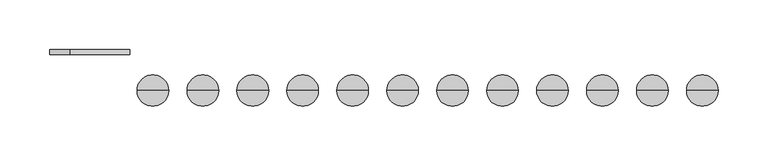
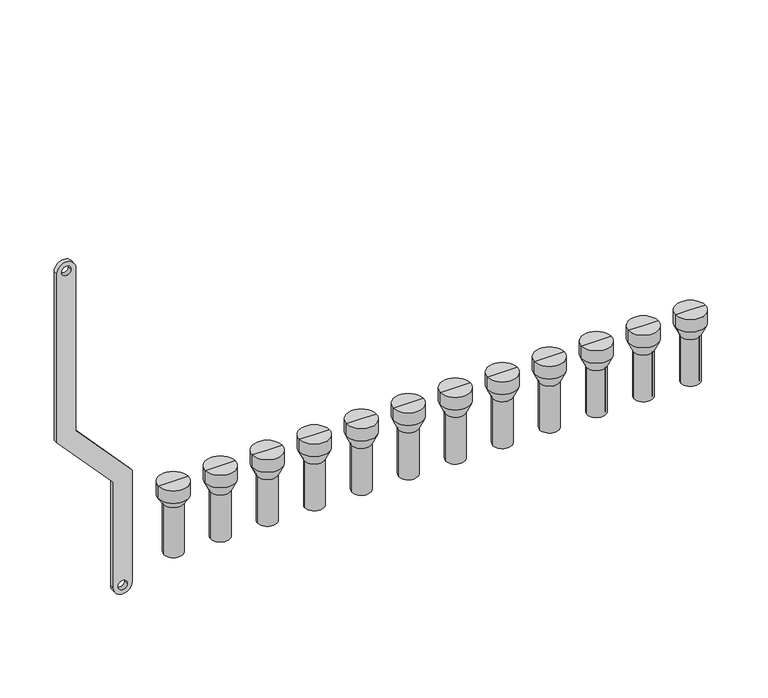
"""IFC4 building model written with IfcOpenShell, lengths in millimetres: proxy geometry."""

from ifc_helpers import new_model, si_unit, point, frame, frame_2d, origin, place, context, project, spatial, polyline, circle_curve, trimmed, segment, composite_curve, outline, extrude, source, transform, mapped, element, save
from ifc_brep_helpers import plane_surface, cylinder_surface, revolved_surface, advanced_brep


def mechanical_equipment_6957c9e1(model_context):
    return source(origin(), model_context, "Body", "SolidModel", [
        advanced_brep(
        [(651.0, -20.0, -240.0), (635.0, -20.0, -240.0), (635.0, -20.0, -187.5), (651.0, -20.0, -187.5), (653.0, -20.0, -240.0), (633.0, -20.0, -240.0), (653.0, -20.0, -187.5), (633.0, -20.0, -187.5), (658.791778, -20.0, -175.079492), (627.208222, -20.0, -175.079492), (658.791778, -20.0, -161.0287273), (627.208222, -20.0, -161.0287273), (643.0, -20.0, -161.0287273), (643.0, -20.0, -187.5)],
        [
            (0, 1, circle_curve(frame((643.0, -20.0, -240.0), z_axis=(0.0, 0.0, -1.0), x_axis=(-1.0, 0.0, 0.0)), 8.0)),
            (1, 2),
            (2, 3, circle_curve(frame((643.0, -20.0, -187.5), z_axis=(0.0, 0.0, 1.0), x_axis=(-1.0, 0.0, 0.0)), 8.0)),
            (3, 0),
            (1, 0, circle_curve(frame((643.0, -20.0, -240.0), z_axis=(0.0, 0.0, -1.0), x_axis=(-1.0, 0.0, 0.0)), 8.0)),
            (3, 2, circle_curve(frame((643.0, -20.0, -187.5), z_axis=(0.0, 0.0, 1.0), x_axis=(-1.0, 0.0, 0.0)), 8.0)),
            (4, 5, circle_curve(frame((643.0, -20.0, -240.0), z_axis=(0.0, 0.0, -1.0), x_axis=(-1.0, 0.0, 0.0)), 10.0)),
            (5, 1),
            (0, 4),
            (5, 4, circle_curve(frame((643.0, -20.0, -240.0), z_axis=(0.0, 0.0, -1.0), x_axis=(-1.0, 0.0, 0.0)), 10.0)),
            (6, 7, circle_curve(frame((643.0, -20.0, -187.5), z_axis=(0.0, 0.0, -1.0), x_axis=(-1.0, 0.0, 0.0)), 10.0)),
            (7, 5),
            (4, 6),
            (7, 6, circle_curve(frame((643.0, -20.0, -187.5), z_axis=(0.0, 0.0, -1.0), x_axis=(-1.0, 0.0, 0.0)), 10.0)),
            (8, 9, circle_curve(frame((643.0, -20.0, -175.079492), z_axis=(0.0, 0.0, -1.0), x_axis=(-1.0, 0.0, 0.0)), 15.791778)),
            (9, 7),
            (6, 8),
            (9, 8, circle_curve(frame((643.0, -20.0, -175.079492), z_axis=(0.0, 0.0, -1.0), x_axis=(-1.0, 0.0, 0.0)), 15.791778)),
            (10, 11, circle_curve(frame((643.0, -20.0, -161.0287273), z_axis=(0.0, 0.0, -1.0), x_axis=(-1.0, 0.0, 0.0)), 15.791778)),
            (11, 9),
            (8, 10),
            (11, 10, circle_curve(frame((643.0, -20.0, -161.0287273), z_axis=(0.0, 0.0, -1.0), x_axis=(-1.0, 0.0, 0.0)), 15.791778)),
            (12, 11),
            (10, 12),
            (2, 13),
            (13, 3),
        ],
        [
            revolved_surface(polyline([(635.0, -20.0, -187.5), (635.0, -20.0, -240.0)]), (643.0, -20.0, -200.0), (0.0, 0.0, 1.0)),
            plane_surface(frame((643.0, -20.0, -240.0), z_axis=(0.0, 0.0, -1.0), x_axis=(-1.0, 0.0, 0.0))),
            cylinder_surface(frame((643.0, -20.0, -200.0), z_axis=(0.0, 0.0, 1.0), x_axis=(-1.0, 0.0, 0.0)), 10.0),
            revolved_surface(polyline([(633.0, -20.0, -187.5), (627.208222, -20.0, -175.079492)]), (643.0, -20.0, -200.0), (0.0, 0.0, 1.0)),
            cylinder_surface(frame((643.0, -20.0, -200.0), z_axis=(0.0, 0.0, 1.0), x_axis=(-1.0, 0.0, 0.0)), 15.791778),
            plane_surface(frame((643.0, -20.0, -161.0287273), z_axis=(0.0, 0.0, 1.0), x_axis=(-1.0, 0.0, 0.0))),
            plane_surface(frame((643.0, -20.0, -187.5), z_axis=(0.0, 0.0, -1.0), x_axis=(-1.0, 0.0, 0.0))),
        ],
        [
            (0, [[1, 2, 3, 4]]),
            (0, [[5, -4, 6, -2]]),
            (1, [[7, 8, -1, 9]]),
            (1, [[10, -9, -5, -8]]),
            (2, [[11, 12, -7, 13]]),
            (2, [[14, -13, -10, -12]]),
            (3, [[15, 16, -11, 17]]),
            (3, [[18, -17, -14, -16]]),
            (4, [[19, 20, -15, 21]]),
            (4, [[22, -21, -18, -20]]),
            (5, [[23, -19, 24]]),
            (5, [[-24, -22, -23]]),
            (6, [[-3, 25, 26]]),
            (6, [[-6, -26, -25]]),
        ],
    ),
        advanced_brep(
        [(601.0, -20.0, -240.0), (585.0, -20.0, -240.0), (585.0, -20.0, -187.5), (601.0, -20.0, -187.5), (603.0, -20.0, -240.0), (583.0, -20.0, -240.0), (603.0, -20.0, -187.5), (583.0, -20.0, -187.5), (608.791778, -20.0, -175.079492), (577.208222, -20.0, -175.079492), (608.791778, -20.0, -161.0287273), (577.208222, -20.0, -161.0287273), (593.0, -20.0, -161.0287273), (593.0, -20.0, -187.5)],
        [
            (0, 1, circle_curve(frame((593.0, -20.0, -240.0), z_axis=(0.0, 0.0, -1.0), x_axis=(-1.0, 0.0, 0.0)), 8.0)),
            (1, 2),
            (2, 3, circle_curve(frame((593.0, -20.0, -187.5), z_axis=(0.0, 0.0, 1.0), x_axis=(-1.0, 0.0, 0.0)), 8.0)),
            (3, 0),
            (1, 0, circle_curve(frame((593.0, -20.0, -240.0), z_axis=(0.0, 0.0, -1.0), x_axis=(-1.0, 0.0, 0.0)), 8.0)),
            (3, 2, circle_curve(frame((593.0, -20.0, -187.5), z_axis=(0.0, 0.0, 1.0), x_axis=(-1.0, 0.0, 0.0)), 8.0)),
            (4, 5, circle_curve(frame((593.0, -20.0, -240.0), z_axis=(0.0, 0.0, -1.0), x_axis=(-1.0, 0.0, 0.0)), 10.0)),
            (5, 1),
            (0, 4),
            (5, 4, circle_curve(frame((593.0, -20.0, -240.0), z_axis=(0.0, 0.0, -1.0), x_axis=(-1.0, 0.0, 0.0)), 10.0)),
            (6, 7, circle_curve(frame((593.0, -20.0, -187.5), z_axis=(0.0, 0.0, -1.0), x_axis=(-1.0, 0.0, 0.0)), 10.0)),
            (7, 5),
            (4, 6),
            (7, 6, circle_curve(frame((593.0, -20.0, -187.5), z_axis=(0.0, 0.0, -1.0), x_axis=(-1.0, 0.0, 0.0)), 10.0)),
            (8, 9, circle_curve(frame((593.0, -20.0, -175.079492), z_axis=(0.0, 0.0, -1.0), x_axis=(-1.0, 0.0, 0.0)), 15.791778)),
            (9, 7),
            (6, 8),
            (9, 8, circle_curve(frame((593.0, -20.0, -175.079492), z_axis=(0.0, 0.0, -1.0), x_axis=(-1.0, 0.0, 0.0)), 15.791778)),
            (10, 11, circle_curve(frame((593.0, -20.0, -161.0287273), z_axis=(0.0, 0.0, -1.0), x_axis=(-1.0, 0.0, 0.0)), 15.791778)),
            (11, 9),
            (8, 10),
            (11, 10, circle_curve(frame((593.0, -20.0, -161.0287273), z_axis=(0.0, 0.0, -1.0), x_axis=(-1.0, 0.0, 0.0)), 15.791778)),
            (12, 11),
            (10, 12),
            (2, 13),
            (13, 3),
        ],
        [
            revolved_surface(polyline([(585.0, -20.0, -187.5), (585.0, -20.0, -240.0)]), (593.0, -20.0, -200.0), (0.0, 0.0, 1.0)),
            plane_surface(frame((593.0, -20.0, -240.0), z_axis=(0.0, 0.0, -1.0), x_axis=(-1.0, 0.0, 0.0))),
            cylinder_surface(frame((593.0, -20.0, -200.0), z_axis=(0.0, 0.0, 1.0), x_axis=(-1.0, 0.0, 0.0)), 10.0),
            revolved_surface(polyline([(583.0, -20.0, -187.5), (577.208222, -20.0, -175.079492)]), (593.0, -20.0, -200.0), (0.0, 0.0, 1.0)),
            cylinder_surface(frame((593.0, -20.0, -200.0), z_axis=(0.0, 0.0, 1.0), x_axis=(-1.0, 0.0, 0.0)), 15.791778),
            plane_surface(frame((593.0, -20.0, -161.0287273), z_axis=(0.0, 0.0, 1.0), x_axis=(-1.0, 0.0, 0.0))),
            plane_surface(frame((593.0, -20.0, -187.5), z_axis=(0.0, 0.0, -1.0), x_axis=(-1.0, 0.0, 0.0))),
        ],
        [
            (0, [[1, 2, 3, 4]]),
            (0, [[5, -4, 6, -2]]),
            (1, [[7, 8, -1, 9]]),
            (1, [[10, -9, -5, -8]]),
            (2, [[11, 12, -7, 13]]),
            (2, [[14, -13, -10, -12]]),
            (3, [[15, 16, -11, 17]]),
            (3, [[18, -17, -14, -16]]),
            (4, [[19, 20, -15, 21]]),
            (4, [[22, -21, -18, -20]]),
            (5, [[23, -19, 24]]),
            (5, [[-24, -22, -23]]),
            (6, [[-3, 25, 26]]),
            (6, [[-6, -26, -25]]),
        ],
    ),
        advanced_brep(
        [(551.0, -20.0, -240.0), (535.0, -20.0, -240.0), (535.0, -20.0, -187.5), (551.0, -20.0, -187.5), (553.0, -20.0, -240.0), (533.0, -20.0, -240.0), (553.0, -20.0, -187.5), (533.0, -20.0, -187.5), (558.791778, -20.0, -175.079492), (527.208222, -20.0, -175.079492), (558.791778, -20.0, -161.0287273), (527.208222, -20.0, -161.0287273), (543.0, -20.0, -161.0287273), (543.0, -20.0, -187.5)],
        [
            (0, 1, circle_curve(frame((543.0, -20.0, -240.0), z_axis=(0.0, 0.0, -1.0), x_axis=(-1.0, 0.0, 0.0)), 8.0)),
            (1, 2),
            (2, 3, circle_curve(frame((543.0, -20.0, -187.5), z_axis=(0.0, 0.0, 1.0), x_axis=(-1.0, 0.0, 0.0)), 8.0)),
            (3, 0),
            (1, 0, circle_curve(frame((543.0, -20.0, -240.0), z_axis=(0.0, 0.0, -1.0), x_axis=(-1.0, 0.0, 0.0)), 8.0)),
            (3, 2, circle_curve(frame((543.0, -20.0, -187.5), z_axis=(0.0, 0.0, 1.0), x_axis=(-1.0, 0.0, 0.0)), 8.0)),
            (4, 5, circle_curve(frame((543.0, -20.0, -240.0), z_axis=(0.0, 0.0, -1.0), x_axis=(-1.0, 0.0, 0.0)), 10.0)),
            (5, 1),
            (0, 4),
            (5, 4, circle_curve(frame((543.0, -20.0, -240.0), z_axis=(0.0, 0.0, -1.0), x_axis=(-1.0, 0.0, 0.0)), 10.0)),
            (6, 7, circle_curve(frame((543.0, -20.0, -187.5), z_axis=(0.0, 0.0, -1.0), x_axis=(-1.0, 0.0, 0.0)), 10.0)),
            (7, 5),
            (4, 6),
            (7, 6, circle_curve(frame((543.0, -20.0, -187.5), z_axis=(0.0, 0.0, -1.0), x_axis=(-1.0, 0.0, 0.0)), 10.0)),
            (8, 9, circle_curve(frame((543.0, -20.0, -175.079492), z_axis=(0.0, 0.0, -1.0), x_axis=(-1.0, 0.0, 0.0)), 15.791778)),
            (9, 7),
            (6, 8),
            (9, 8, circle_curve(frame((543.0, -20.0, -175.079492), z_axis=(0.0, 0.0, -1.0), x_axis=(-1.0, 0.0, 0.0)), 15.791778)),
            (10, 11, circle_curve(frame((543.0, -20.0, -161.0287273), z_axis=(0.0, 0.0, -1.0), x_axis=(-1.0, 0.0, 0.0)), 15.791778)),
            (11, 9),
            (8, 10),
            (11, 10, circle_curve(frame((543.0, -20.0, -161.0287273), z_axis=(0.0, 0.0, -1.0), x_axis=(-1.0, 0.0, 0.0)), 15.791778)),
            (12, 11),
            (10, 12),
            (2, 13),
            (13, 3),
        ],
        [
            revolved_surface(polyline([(535.0, -20.0, -187.5), (535.0, -20.0, -240.0)]), (543.0, -20.0, -200.0), (0.0, 0.0, 1.0)),
            plane_surface(frame((543.0, -20.0, -240.0), z_axis=(0.0, 0.0, -1.0), x_axis=(-1.0, 0.0, 0.0))),
            cylinder_surface(frame((543.0, -20.0, -200.0), z_axis=(0.0, 0.0, 1.0), x_axis=(-1.0, 0.0, 0.0)), 10.0),
            revolved_surface(polyline([(533.0, -20.0, -187.5), (527.208222, -20.0, -175.079492)]), (543.0, -20.0, -200.0), (0.0, 0.0, 1.0)),
            cylinder_surface(frame((543.0, -20.0, -200.0), z_axis=(0.0, 0.0, 1.0), x_axis=(-1.0, 0.0, 0.0)), 15.791778),
            plane_surface(frame((543.0, -20.0, -161.0287273), z_axis=(0.0, 0.0, 1.0), x_axis=(-1.0, 0.0, 0.0))),
            plane_surface(frame((543.0, -20.0, -187.5), z_axis=(0.0, 0.0, -1.0), x_axis=(-1.0, 0.0, 0.0))),
        ],
        [
            (0, [[1, 2, 3, 4]]),
            (0, [[5, -4, 6, -2]]),
            (1, [[7, 8, -1, 9]]),
            (1, [[10, -9, -5, -8]]),
            (2, [[11, 12, -7, 13]]),
            (2, [[14, -13, -10, -12]]),
            (3, [[15, 16, -11, 17]]),
            (3, [[18, -17, -14, -16]]),
            (4, [[19, 20, -15, 21]]),
            (4, [[22, -21, -18, -20]]),
            (5, [[23, -19, 24]]),
            (5, [[-24, -22, -23]]),
            (6, [[-3, 25, 26]]),
            (6, [[-6, -26, -25]]),
        ],
    ),
        advanced_brep(
        [(501.0, -20.0, -240.0), (485.0, -20.0, -240.0), (485.0, -20.0, -187.5), (501.0, -20.0, -187.5), (503.0, -20.0, -240.0), (483.0, -20.0, -240.0), (503.0, -20.0, -187.5), (483.0, -20.0, -187.5), (508.791778, -20.0, -175.079492), (477.208222, -20.0, -175.079492), (508.791778, -20.0, -161.0287273), (477.208222, -20.0, -161.0287273), (493.0, -20.0, -161.0287273), (493.0, -20.0, -187.5)],
        [
            (0, 1, circle_curve(frame((493.0, -20.0, -240.0), z_axis=(0.0, 0.0, -1.0), x_axis=(-1.0, 0.0, 0.0)), 8.0)),
            (1, 2),
            (2, 3, circle_curve(frame((493.0, -20.0, -187.5), z_axis=(0.0, 0.0, 1.0), x_axis=(-1.0, 0.0, 0.0)), 8.0)),
            (3, 0),
            (1, 0, circle_curve(frame((493.0, -20.0, -240.0), z_axis=(0.0, 0.0, -1.0), x_axis=(-1.0, 0.0, 0.0)), 8.0)),
            (3, 2, circle_curve(frame((493.0, -20.0, -187.5), z_axis=(0.0, 0.0, 1.0), x_axis=(-1.0, 0.0, 0.0)), 8.0)),
            (4, 5, circle_curve(frame((493.0, -20.0, -240.0), z_axis=(0.0, 0.0, -1.0), x_axis=(-1.0, 0.0, 0.0)), 10.0)),
            (5, 1),
            (0, 4),
            (5, 4, circle_curve(frame((493.0, -20.0, -240.0), z_axis=(0.0, 0.0, -1.0), x_axis=(-1.0, 0.0, 0.0)), 10.0)),
            (6, 7, circle_curve(frame((493.0, -20.0, -187.5), z_axis=(0.0, 0.0, -1.0), x_axis=(-1.0, 0.0, 0.0)), 10.0)),
            (7, 5),
            (4, 6),
            (7, 6, circle_curve(frame((493.0, -20.0, -187.5), z_axis=(0.0, 0.0, -1.0), x_axis=(-1.0, 0.0, 0.0)), 10.0)),
            (8, 9, circle_curve(frame((493.0, -20.0, -175.079492), z_axis=(0.0, 0.0, -1.0), x_axis=(-1.0, 0.0, 0.0)), 15.791778)),
            (9, 7),
            (6, 8),
            (9, 8, circle_curve(frame((493.0, -20.0, -175.079492), z_axis=(0.0, 0.0, -1.0), x_axis=(-1.0, 0.0, 0.0)), 15.791778)),
            (10, 11, circle_curve(frame((493.0, -20.0, -161.0287273), z_axis=(0.0, 0.0, -1.0), x_axis=(-1.0, 0.0, 0.0)), 15.791778)),
            (11, 9),
            (8, 10),
            (11, 10, circle_curve(frame((493.0, -20.0, -161.0287273), z_axis=(0.0, 0.0, -1.0), x_axis=(-1.0, 0.0, 0.0)), 15.791778)),
            (12, 11),
            (10, 12),
            (2, 13),
            (13, 3),
        ],
        [
            revolved_surface(polyline([(485.0, -20.0, -187.5), (485.0, -20.0, -240.0)]), (493.0, -20.0, -200.0), (0.0, 0.0, 1.0)),
            plane_surface(frame((493.0, -20.0, -240.0), z_axis=(0.0, 0.0, -1.0), x_axis=(-1.0, 0.0, 0.0))),
            cylinder_surface(frame((493.0, -20.0, -200.0), z_axis=(0.0, 0.0, 1.0), x_axis=(-1.0, 0.0, 0.0)), 10.0),
            revolved_surface(polyline([(483.0, -20.0, -187.5), (477.208222, -20.0, -175.079492)]), (493.0, -20.0, -200.0), (0.0, 0.0, 1.0)),
            cylinder_surface(frame((493.0, -20.0, -200.0), z_axis=(0.0, 0.0, 1.0), x_axis=(-1.0, 0.0, 0.0)), 15.791778),
            plane_surface(frame((493.0, -20.0, -161.0287273), z_axis=(0.0, 0.0, 1.0), x_axis=(-1.0, 0.0, 0.0))),
            plane_surface(frame((493.0, -20.0, -187.5), z_axis=(0.0, 0.0, -1.0), x_axis=(-1.0, 0.0, 0.0))),
        ],
        [
            (0, [[1, 2, 3, 4]]),
            (0, [[5, -4, 6, -2]]),
            (1, [[7, 8, -1, 9]]),
            (1, [[10, -9, -5, -8]]),
            (2, [[11, 12, -7, 13]]),
            (2, [[14, -13, -10, -12]]),
            (3, [[15, 16, -11, 17]]),
            (3, [[18, -17, -14, -16]]),
            (4, [[19, 20, -15, 21]]),
            (4, [[22, -21, -18, -20]]),
            (5, [[23, -19, 24]]),
            (5, [[-24, -22, -23]]),
            (6, [[-3, 25, 26]]),
            (6, [[-6, -26, -25]]),
        ],
    ),
        advanced_brep(
        [(451.0, -20.0, -240.0), (435.0, -20.0, -240.0), (435.0, -20.0, -187.5), (451.0, -20.0, -187.5), (453.0, -20.0, -240.0), (433.0, -20.0, -240.0), (453.0, -20.0, -187.5), (433.0, -20.0, -187.5), (458.791778, -20.0, -175.079492), (427.208222, -20.0, -175.079492), (458.791778, -20.0, -161.0287273), (427.208222, -20.0, -161.0287273), (443.0, -20.0, -161.0287273), (443.0, -20.0, -187.5)],
        [
            (0, 1, circle_curve(frame((443.0, -20.0, -240.0), z_axis=(0.0, 0.0, -1.0), x_axis=(-1.0, 0.0, 0.0)), 8.0)),
            (1, 2),
            (2, 3, circle_curve(frame((443.0, -20.0, -187.5), z_axis=(0.0, 0.0, 1.0), x_axis=(-1.0, 0.0, 0.0)), 8.0)),
            (3, 0),
            (1, 0, circle_curve(frame((443.0, -20.0, -240.0), z_axis=(0.0, 0.0, -1.0), x_axis=(-1.0, 0.0, 0.0)), 8.0)),
            (3, 2, circle_curve(frame((443.0, -20.0, -187.5), z_axis=(0.0, 0.0, 1.0), x_axis=(-1.0, 0.0, 0.0)), 8.0)),
            (4, 5, circle_curve(frame((443.0, -20.0, -240.0), z_axis=(0.0, 0.0, -1.0), x_axis=(-1.0, 0.0, 0.0)), 10.0)),
            (5, 1),
            (0, 4),
            (5, 4, circle_curve(frame((443.0, -20.0, -240.0), z_axis=(0.0, 0.0, -1.0), x_axis=(-1.0, 0.0, 0.0)), 10.0)),
            (6, 7, circle_curve(frame((443.0, -20.0, -187.5), z_axis=(0.0, 0.0, -1.0), x_axis=(-1.0, 0.0, 0.0)), 10.0)),
            (7, 5),
            (4, 6),
            (7, 6, circle_curve(frame((443.0, -20.0, -187.5), z_axis=(0.0, 0.0, -1.0), x_axis=(-1.0, 0.0, 0.0)), 10.0)),
            (8, 9, circle_curve(frame((443.0, -20.0, -175.079492), z_axis=(0.0, 0.0, -1.0), x_axis=(-1.0, 0.0, 0.0)), 15.791778)),
            (9, 7),
            (6, 8),
            (9, 8, circle_curve(frame((443.0, -20.0, -175.079492), z_axis=(0.0, 0.0, -1.0), x_axis=(-1.0, 0.0, 0.0)), 15.791778)),
            (10, 11, circle_curve(frame((443.0, -20.0, -161.0287273), z_axis=(0.0, 0.0, -1.0), x_axis=(-1.0, 0.0, 0.0)), 15.791778)),
            (11, 9),
            (8, 10),
            (11, 10, circle_curve(frame((443.0, -20.0, -161.0287273), z_axis=(0.0, 0.0, -1.0), x_axis=(-1.0, 0.0, 0.0)), 15.791778)),
            (12, 11),
            (10, 12),
            (2, 13),
            (13, 3),
        ],
        [
            revolved_surface(polyline([(435.0, -20.0, -187.5), (435.0, -20.0, -240.0)]), (443.0, -20.0, -200.0), (0.0, 0.0, 1.0)),
            plane_surface(frame((443.0, -20.0, -240.0), z_axis=(0.0, 0.0, -1.0), x_axis=(-1.0, 0.0, 0.0))),
            cylinder_surface(frame((443.0, -20.0, -200.0), z_axis=(0.0, 0.0, 1.0), x_axis=(-1.0, 0.0, 0.0)), 10.0),
            revolved_surface(polyline([(433.0, -20.0, -187.5), (427.208222, -20.0, -175.079492)]), (443.0, -20.0, -200.0), (0.0, 0.0, 1.0)),
            cylinder_surface(frame((443.0, -20.0, -200.0), z_axis=(0.0, 0.0, 1.0), x_axis=(-1.0, 0.0, 0.0)), 15.791778),
            plane_surface(frame((443.0, -20.0, -161.0287273), z_axis=(0.0, 0.0, 1.0), x_axis=(-1.0, 0.0, 0.0))),
            plane_surface(frame((443.0, -20.0, -187.5), z_axis=(0.0, 0.0, -1.0), x_axis=(-1.0, 0.0, 0.0))),
        ],
        [
            (0, [[1, 2, 3, 4]]),
            (0, [[5, -4, 6, -2]]),
            (1, [[7, 8, -1, 9]]),
            (1, [[10, -9, -5, -8]]),
            (2, [[11, 12, -7, 13]]),
            (2, [[14, -13, -10, -12]]),
            (3, [[15, 16, -11, 17]]),
            (3, [[18, -17, -14, -16]]),
            (4, [[19, 20, -15, 21]]),
            (4, [[22, -21, -18, -20]]),
            (5, [[23, -19, 24]]),
            (5, [[-24, -22, -23]]),
            (6, [[-3, 25, 26]]),
            (6, [[-6, -26, -25]]),
        ],
    ),
        advanced_brep(
        [(401.0, -20.0, -240.0), (385.0, -20.0, -240.0), (385.0, -20.0, -187.5), (401.0, -20.0, -187.5), (403.0, -20.0, -240.0), (383.0, -20.0, -240.0), (403.0, -20.0, -187.5), (383.0, -20.0, -187.5), (408.791778, -20.0, -175.079492), (377.208222, -20.0, -175.079492), (408.791778, -20.0, -161.0287273), (377.208222, -20.0, -161.0287273), (393.0, -20.0, -161.0287273), (393.0, -20.0, -187.5)],
        [
            (0, 1, circle_curve(frame((393.0, -20.0, -240.0), z_axis=(0.0, 0.0, -1.0), x_axis=(-1.0, 0.0, 0.0)), 8.0)),
            (1, 2),
            (2, 3, circle_curve(frame((393.0, -20.0, -187.5), z_axis=(0.0, 0.0, 1.0), x_axis=(-1.0, 0.0, 0.0)), 8.0)),
            (3, 0),
            (1, 0, circle_curve(frame((393.0, -20.0, -240.0), z_axis=(0.0, 0.0, -1.0), x_axis=(-1.0, 0.0, 0.0)), 8.0)),
            (3, 2, circle_curve(frame((393.0, -20.0, -187.5), z_axis=(0.0, 0.0, 1.0), x_axis=(-1.0, 0.0, 0.0)), 8.0)),
            (4, 5, circle_curve(frame((393.0, -20.0, -240.0), z_axis=(0.0, 0.0, -1.0), x_axis=(-1.0, 0.0, 0.0)), 10.0)),
            (5, 1),
            (0, 4),
            (5, 4, circle_curve(frame((393.0, -20.0, -240.0), z_axis=(0.0, 0.0, -1.0), x_axis=(-1.0, 0.0, 0.0)), 10.0)),
            (6, 7, circle_curve(frame((393.0, -20.0, -187.5), z_axis=(0.0, 0.0, -1.0), x_axis=(-1.0, 0.0, 0.0)), 10.0)),
            (7, 5),
            (4, 6),
            (7, 6, circle_curve(frame((393.0, -20.0, -187.5), z_axis=(0.0, 0.0, -1.0), x_axis=(-1.0, 0.0, 0.0)), 10.0)),
            (8, 9, circle_curve(frame((393.0, -20.0, -175.079492), z_axis=(0.0, 0.0, -1.0), x_axis=(-1.0, 0.0, 0.0)), 15.791778)),
            (9, 7),
            (6, 8),
            (9, 8, circle_curve(frame((393.0, -20.0, -175.079492), z_axis=(0.0, 0.0, -1.0), x_axis=(-1.0, 0.0, 0.0)), 15.791778)),
            (10, 11, circle_curve(frame((393.0, -20.0, -161.0287273), z_axis=(0.0, 0.0, -1.0), x_axis=(-1.0, 0.0, 0.0)), 15.791778)),
            (11, 9),
            (8, 10),
            (11, 10, circle_curve(frame((393.0, -20.0, -161.0287273), z_axis=(0.0, 0.0, -1.0), x_axis=(-1.0, 0.0, 0.0)), 15.791778)),
            (12, 11),
            (10, 12),
            (2, 13),
            (13, 3),
        ],
        [
            revolved_surface(polyline([(385.0, -20.0, -187.5), (385.0, -20.0, -240.0)]), (393.0, -20.0, -200.0), (0.0, 0.0, 1.0)),
            plane_surface(frame((393.0, -20.0, -240.0), z_axis=(0.0, 0.0, -1.0), x_axis=(-1.0, 0.0, 0.0))),
            cylinder_surface(frame((393.0, -20.0, -200.0), z_axis=(0.0, 0.0, 1.0), x_axis=(-1.0, 0.0, 0.0)), 10.0),
            revolved_surface(polyline([(383.0, -20.0, -187.5), (377.208222, -20.0, -175.079492)]), (393.0, -20.0, -200.0), (0.0, 0.0, 1.0)),
            cylinder_surface(frame((393.0, -20.0, -200.0), z_axis=(0.0, 0.0, 1.0), x_axis=(-1.0, 0.0, 0.0)), 15.791778),
            plane_surface(frame((393.0, -20.0, -161.0287273), z_axis=(0.0, 0.0, 1.0), x_axis=(-1.0, 0.0, 0.0))),
            plane_surface(frame((393.0, -20.0, -187.5), z_axis=(0.0, 0.0, -1.0), x_axis=(-1.0, 0.0, 0.0))),
        ],
        [
            (0, [[1, 2, 3, 4]]),
            (0, [[5, -4, 6, -2]]),
            (1, [[7, 8, -1, 9]]),
            (1, [[10, -9, -5, -8]]),
            (2, [[11, 12, -7, 13]]),
            (2, [[14, -13, -10, -12]]),
            (3, [[15, 16, -11, 17]]),
            (3, [[18, -17, -14, -16]]),
            (4, [[19, 20, -15, 21]]),
            (4, [[22, -21, -18, -20]]),
            (5, [[23, -19, 24]]),
            (5, [[-24, -22, -23]]),
            (6, [[-3, 25, 26]]),
            (6, [[-6, -26, -25]]),
        ],
    ),
        advanced_brep(
        [(351.0, -20.0, -240.0), (335.0, -20.0, -240.0), (335.0, -20.0, -187.5), (351.0, -20.0, -187.5), (353.0, -20.0, -240.0), (333.0, -20.0, -240.0), (353.0, -20.0, -187.5), (333.0, -20.0, -187.5), (358.791778, -20.0, -175.079492), (327.208222, -20.0, -175.079492), (358.791778, -20.0, -161.0287273), (327.208222, -20.0, -161.0287273), (343.0, -20.0, -161.0287273), (343.0, -20.0, -187.5)],
        [
            (0, 1, circle_curve(frame((343.0, -20.0, -240.0), z_axis=(0.0, 0.0, -1.0), x_axis=(-1.0, 0.0, 0.0)), 8.0)),
            (1, 2),
            (2, 3, circle_curve(frame((343.0, -20.0, -187.5), z_axis=(0.0, 0.0, 1.0), x_axis=(-1.0, 0.0, 0.0)), 8.0)),
            (3, 0),
            (1, 0, circle_curve(frame((343.0, -20.0, -240.0), z_axis=(0.0, 0.0, -1.0), x_axis=(-1.0, 0.0, 0.0)), 8.0)),
            (3, 2, circle_curve(frame((343.0, -20.0, -187.5), z_axis=(0.0, 0.0, 1.0), x_axis=(-1.0, 0.0, 0.0)), 8.0)),
            (4, 5, circle_curve(frame((343.0, -20.0, -240.0), z_axis=(0.0, 0.0, -1.0), x_axis=(-1.0, 0.0, 0.0)), 10.0)),
            (5, 1),
            (0, 4),
            (5, 4, circle_curve(frame((343.0, -20.0, -240.0), z_axis=(0.0, 0.0, -1.0), x_axis=(-1.0, 0.0, 0.0)), 10.0)),
            (6, 7, circle_curve(frame((343.0, -20.0, -187.5), z_axis=(0.0, 0.0, -1.0), x_axis=(-1.0, 0.0, 0.0)), 10.0)),
            (7, 5),
            (4, 6),
            (7, 6, circle_curve(frame((343.0, -20.0, -187.5), z_axis=(0.0, 0.0, -1.0), x_axis=(-1.0, 0.0, 0.0)), 10.0)),
            (8, 9, circle_curve(frame((343.0, -20.0, -175.079492), z_axis=(0.0, 0.0, -1.0), x_axis=(-1.0, 0.0, 0.0)), 15.791778)),
            (9, 7),
            (6, 8),
            (9, 8, circle_curve(frame((343.0, -20.0, -175.079492), z_axis=(0.0, 0.0, -1.0), x_axis=(-1.0, 0.0, 0.0)), 15.791778)),
            (10, 11, circle_curve(frame((343.0, -20.0, -161.0287273), z_axis=(0.0, 0.0, -1.0), x_axis=(-1.0, 0.0, 0.0)), 15.791778)),
            (11, 9),
            (8, 10),
            (11, 10, circle_curve(frame((343.0, -20.0, -161.0287273), z_axis=(0.0, 0.0, -1.0), x_axis=(-1.0, 0.0, 0.0)), 15.791778)),
            (12, 11),
            (10, 12),
            (2, 13),
            (13, 3),
        ],
        [
            revolved_surface(polyline([(335.0, -20.0, -187.5), (335.0, -20.0, -240.0)]), (343.0, -20.0, -200.0), (0.0, 0.0, 1.0)),
            plane_surface(frame((343.0, -20.0, -240.0), z_axis=(0.0, 0.0, -1.0), x_axis=(-1.0, 0.0, 0.0))),
            cylinder_surface(frame((343.0, -20.0, -200.0), z_axis=(0.0, 0.0, 1.0), x_axis=(-1.0, 0.0, 0.0)), 10.0),
            revolved_surface(polyline([(333.0, -20.0, -187.5), (327.208222, -20.0, -175.079492)]), (343.0, -20.0, -200.0), (0.0, 0.0, 1.0)),
            cylinder_surface(frame((343.0, -20.0, -200.0), z_axis=(0.0, 0.0, 1.0), x_axis=(-1.0, 0.0, 0.0)), 15.791778),
            plane_surface(frame((343.0, -20.0, -161.0287273), z_axis=(0.0, 0.0, 1.0), x_axis=(-1.0, 0.0, 0.0))),
            plane_surface(frame((343.0, -20.0, -187.5), z_axis=(0.0, 0.0, -1.0), x_axis=(-1.0, 0.0, 0.0))),
        ],
        [
            (0, [[1, 2, 3, 4]]),
            (0, [[5, -4, 6, -2]]),
            (1, [[7, 8, -1, 9]]),
            (1, [[10, -9, -5, -8]]),
            (2, [[11, 12, -7, 13]]),
            (2, [[14, -13, -10, -12]]),
            (3, [[15, 16, -11, 17]]),
            (3, [[18, -17, -14, -16]]),
            (4, [[19, 20, -15, 21]]),
            (4, [[22, -21, -18, -20]]),
            (5, [[23, -19, 24]]),
            (5, [[-24, -22, -23]]),
            (6, [[-3, 25, 26]]),
            (6, [[-6, -26, -25]]),
        ],
    ),
        advanced_brep(
        [(301.0, -20.0, -240.0), (285.0, -20.0, -240.0), (285.0, -20.0, -187.5), (301.0, -20.0, -187.5), (303.0, -20.0, -240.0), (283.0, -20.0, -240.0), (303.0, -20.0, -187.5), (283.0, -20.0, -187.5), (308.791778, -20.0, -175.079492), (277.208222, -20.0, -175.079492), (308.791778, -20.0, -161.0287273), (277.208222, -20.0, -161.0287273), (293.0, -20.0, -161.0287273), (293.0, -20.0, -187.5)],
        [
            (0, 1, circle_curve(frame((293.0, -20.0, -240.0), z_axis=(0.0, 0.0, -1.0), x_axis=(-1.0, 0.0, 0.0)), 8.0)),
            (1, 2),
            (2, 3, circle_curve(frame((293.0, -20.0, -187.5), z_axis=(0.0, 0.0, 1.0), x_axis=(-1.0, 0.0, 0.0)), 8.0)),
            (3, 0),
            (1, 0, circle_curve(frame((293.0, -20.0, -240.0), z_axis=(0.0, 0.0, -1.0), x_axis=(-1.0, 0.0, 0.0)), 8.0)),
            (3, 2, circle_curve(frame((293.0, -20.0, -187.5), z_axis=(0.0, 0.0, 1.0), x_axis=(-1.0, 0.0, 0.0)), 8.0)),
            (4, 5, circle_curve(frame((293.0, -20.0, -240.0), z_axis=(0.0, 0.0, -1.0), x_axis=(-1.0, 0.0, 0.0)), 10.0)),
            (5, 1),
            (0, 4),
            (5, 4, circle_curve(frame((293.0, -20.0, -240.0), z_axis=(0.0, 0.0, -1.0), x_axis=(-1.0, 0.0, 0.0)), 10.0)),
            (6, 7, circle_curve(frame((293.0, -20.0, -187.5), z_axis=(0.0, 0.0, -1.0), x_axis=(-1.0, 0.0, 0.0)), 10.0)),
            (7, 5),
            (4, 6),
            (7, 6, circle_curve(frame((293.0, -20.0, -187.5), z_axis=(0.0, 0.0, -1.0), x_axis=(-1.0, 0.0, 0.0)), 10.0)),
            (8, 9, circle_curve(frame((293.0, -20.0, -175.079492), z_axis=(0.0, 0.0, -1.0), x_axis=(-1.0, 0.0, 0.0)), 15.791778)),
            (9, 7),
            (6, 8),
            (9, 8, circle_curve(frame((293.0, -20.0, -175.079492), z_axis=(0.0, 0.0, -1.0), x_axis=(-1.0, 0.0, 0.0)), 15.791778)),
            (10, 11, circle_curve(frame((293.0, -20.0, -161.0287273), z_axis=(0.0, 0.0, -1.0), x_axis=(-1.0, 0.0, 0.0)), 15.791778)),
            (11, 9),
            (8, 10),
            (11, 10, circle_curve(frame((293.0, -20.0, -161.0287273), z_axis=(0.0, 0.0, -1.0), x_axis=(-1.0, 0.0, 0.0)), 15.791778)),
            (12, 11),
            (10, 12),
            (2, 13),
            (13, 3),
        ],
        [
            revolved_surface(polyline([(285.0, -20.0, -187.5), (285.0, -20.0, -240.0)]), (293.0, -20.0, -200.0), (0.0, 0.0, 1.0)),
            plane_surface(frame((293.0, -20.0, -240.0), z_axis=(0.0, 0.0, -1.0), x_axis=(-1.0, 0.0, 0.0))),
            cylinder_surface(frame((293.0, -20.0, -200.0), z_axis=(0.0, 0.0, 1.0), x_axis=(-1.0, 0.0, 0.0)), 10.0),
            revolved_surface(polyline([(283.0, -20.0, -187.5), (277.208222, -20.0, -175.079492)]), (293.0, -20.0, -200.0), (0.0, 0.0, 1.0)),
            cylinder_surface(frame((293.0, -20.0, -200.0), z_axis=(0.0, 0.0, 1.0), x_axis=(-1.0, 0.0, 0.0)), 15.791778),
            plane_surface(frame((293.0, -20.0, -161.0287273), z_axis=(0.0, 0.0, 1.0), x_axis=(-1.0, 0.0, 0.0))),
            plane_surface(frame((293.0, -20.0, -187.5), z_axis=(0.0, 0.0, -1.0), x_axis=(-1.0, 0.0, 0.0))),
        ],
        [
            (0, [[1, 2, 3, 4]]),
            (0, [[5, -4, 6, -2]]),
            (1, [[7, 8, -1, 9]]),
            (1, [[10, -9, -5, -8]]),
            (2, [[11, 12, -7, 13]]),
            (2, [[14, -13, -10, -12]]),
            (3, [[15, 16, -11, 17]]),
            (3, [[18, -17, -14, -16]]),
            (4, [[19, 20, -15, 21]]),
            (4, [[22, -21, -18, -20]]),
            (5, [[23, -19, 24]]),
            (5, [[-24, -22, -23]]),
            (6, [[-3, 25, 26]]),
            (6, [[-6, -26, -25]]),
        ],
    ),
        advanced_brep(
        [(251.0, -20.0, -240.0), (235.0, -20.0, -240.0), (235.0, -20.0, -187.5), (251.0, -20.0, -187.5), (253.0, -20.0, -240.0), (233.0, -20.0, -240.0), (253.0, -20.0, -187.5), (233.0, -20.0, -187.5), (258.791778, -20.0, -175.079492), (227.208222, -20.0, -175.079492), (258.791778, -20.0, -161.0287273), (227.208222, -20.0, -161.0287273), (243.0, -20.0, -161.0287273), (243.0, -20.0, -187.5)],
        [
            (0, 1, circle_curve(frame((243.0, -20.0, -240.0), z_axis=(0.0, 0.0, -1.0), x_axis=(-1.0, 0.0, 0.0)), 8.0)),
            (1, 2),
            (2, 3, circle_curve(frame((243.0, -20.0, -187.5), z_axis=(0.0, 0.0, 1.0), x_axis=(-1.0, 0.0, 0.0)), 8.0)),
            (3, 0),
            (1, 0, circle_curve(frame((243.0, -20.0, -240.0), z_axis=(0.0, 0.0, -1.0), x_axis=(-1.0, 0.0, 0.0)), 8.0)),
            (3, 2, circle_curve(frame((243.0, -20.0, -187.5), z_axis=(0.0, 0.0, 1.0), x_axis=(-1.0, 0.0, 0.0)), 8.0)),
            (4, 5, circle_curve(frame((243.0, -20.0, -240.0), z_axis=(0.0, 0.0, -1.0), x_axis=(-1.0, 0.0, 0.0)), 10.0)),
            (5, 1),
            (0, 4),
            (5, 4, circle_curve(frame((243.0, -20.0, -240.0), z_axis=(0.0, 0.0, -1.0), x_axis=(-1.0, 0.0, 0.0)), 10.0)),
            (6, 7, circle_curve(frame((243.0, -20.0, -187.5), z_axis=(0.0, 0.0, -1.0), x_axis=(-1.0, 0.0, 0.0)), 10.0)),
            (7, 5),
            (4, 6),
            (7, 6, circle_curve(frame((243.0, -20.0, -187.5), z_axis=(0.0, 0.0, -1.0), x_axis=(-1.0, 0.0, 0.0)), 10.0)),
            (8, 9, circle_curve(frame((243.0, -20.0, -175.079492), z_axis=(0.0, 0.0, -1.0), x_axis=(-1.0, 0.0, 0.0)), 15.791778)),
            (9, 7),
            (6, 8),
            (9, 8, circle_curve(frame((243.0, -20.0, -175.079492), z_axis=(0.0, 0.0, -1.0), x_axis=(-1.0, 0.0, 0.0)), 15.791778)),
            (10, 11, circle_curve(frame((243.0, -20.0, -161.0287273), z_axis=(0.0, 0.0, -1.0), x_axis=(-1.0, 0.0, 0.0)), 15.791778)),
            (11, 9),
            (8, 10),
            (11, 10, circle_curve(frame((243.0, -20.0, -161.0287273), z_axis=(0.0, 0.0, -1.0), x_axis=(-1.0, 0.0, 0.0)), 15.791778)),
            (12, 11),
            (10, 12),
            (2, 13),
            (13, 3),
        ],
        [
            revolved_surface(polyline([(235.0, -20.0, -187.5), (235.0, -20.0, -240.0)]), (243.0, -20.0, -200.0), (0.0, 0.0, 1.0)),
            plane_surface(frame((243.0, -20.0, -240.0), z_axis=(0.0, 0.0, -1.0), x_axis=(-1.0, 0.0, 0.0))),
            cylinder_surface(frame((243.0, -20.0, -200.0), z_axis=(0.0, 0.0, 1.0), x_axis=(-1.0, 0.0, 0.0)), 10.0),
            revolved_surface(polyline([(233.0, -20.0, -187.5), (227.208222, -20.0, -175.079492)]), (243.0, -20.0, -200.0), (0.0, 0.0, 1.0)),
            cylinder_surface(frame((243.0, -20.0, -200.0), z_axis=(0.0, 0.0, 1.0), x_axis=(-1.0, 0.0, 0.0)), 15.791778),
            plane_surface(frame((243.0, -20.0, -161.0287273), z_axis=(0.0, 0.0, 1.0), x_axis=(-1.0, 0.0, 0.0))),
            plane_surface(frame((243.0, -20.0, -187.5), z_axis=(0.0, 0.0, -1.0), x_axis=(-1.0, 0.0, 0.0))),
        ],
        [
            (0, [[1, 2, 3, 4]]),
            (0, [[5, -4, 6, -2]]),
            (1, [[7, 8, -1, 9]]),
            (1, [[10, -9, -5, -8]]),
            (2, [[11, 12, -7, 13]]),
            (2, [[14, -13, -10, -12]]),
            (3, [[15, 16, -11, 17]]),
            (3, [[18, -17, -14, -16]]),
            (4, [[19, 20, -15, 21]]),
            (4, [[22, -21, -18, -20]]),
            (5, [[23, -19, 24]]),
            (5, [[-24, -22, -23]]),
            (6, [[-3, 25, 26]]),
            (6, [[-6, -26, -25]]),
        ],
    ),
        advanced_brep(
        [(201.0, -20.0, -240.0), (185.0, -20.0, -240.0), (185.0, -20.0, -187.5), (201.0, -20.0, -187.5), (203.0, -20.0, -240.0), (183.0, -20.0, -240.0), (203.0, -20.0, -187.5), (183.0, -20.0, -187.5), (208.791778, -20.0, -175.079492), (177.208222, -20.0, -175.079492), (208.791778, -20.0, -161.0287273), (177.208222, -20.0, -161.0287273), (193.0, -20.0, -161.0287273), (193.0, -20.0, -187.5)],
        [
            (0, 1, circle_curve(frame((193.0, -20.0, -240.0), z_axis=(0.0, 0.0, -1.0), x_axis=(-1.0, 0.0, 0.0)), 8.0)),
            (1, 2),
            (2, 3, circle_curve(frame((193.0, -20.0, -187.5), z_axis=(0.0, 0.0, 1.0), x_axis=(-1.0, 0.0, 0.0)), 8.0)),
            (3, 0),
            (1, 0, circle_curve(frame((193.0, -20.0, -240.0), z_axis=(0.0, 0.0, -1.0), x_axis=(-1.0, 0.0, 0.0)), 8.0)),
            (3, 2, circle_curve(frame((193.0, -20.0, -187.5), z_axis=(0.0, 0.0, 1.0), x_axis=(-1.0, 0.0, 0.0)), 8.0)),
            (4, 5, circle_curve(frame((193.0, -20.0, -240.0), z_axis=(0.0, 0.0, -1.0), x_axis=(-1.0, 0.0, 0.0)), 10.0)),
            (5, 1),
            (0, 4),
            (5, 4, circle_curve(frame((193.0, -20.0, -240.0), z_axis=(0.0, 0.0, -1.0), x_axis=(-1.0, 0.0, 0.0)), 10.0)),
            (6, 7, circle_curve(frame((193.0, -20.0, -187.5), z_axis=(0.0, 0.0, -1.0), x_axis=(-1.0, 0.0, 0.0)), 10.0)),
            (7, 5),
            (4, 6),
            (7, 6, circle_curve(frame((193.0, -20.0, -187.5), z_axis=(0.0, 0.0, -1.0), x_axis=(-1.0, 0.0, 0.0)), 10.0)),
            (8, 9, circle_curve(frame((193.0, -20.0, -175.079492), z_axis=(0.0, 0.0, -1.0), x_axis=(-1.0, 0.0, 0.0)), 15.791778)),
            (9, 7),
            (6, 8),
            (9, 8, circle_curve(frame((193.0, -20.0, -175.079492), z_axis=(0.0, 0.0, -1.0), x_axis=(-1.0, 0.0, 0.0)), 15.791778)),
            (10, 11, circle_curve(frame((193.0, -20.0, -161.0287273), z_axis=(0.0, 0.0, -1.0), x_axis=(-1.0, 0.0, 0.0)), 15.791778)),
            (11, 9),
            (8, 10),
            (11, 10, circle_curve(frame((193.0, -20.0, -161.0287273), z_axis=(0.0, 0.0, -1.0), x_axis=(-1.0, 0.0, 0.0)), 15.791778)),
            (12, 11),
            (10, 12),
            (2, 13),
            (13, 3),
        ],
        [
            revolved_surface(polyline([(185.0, -20.0, -187.5), (185.0, -20.0, -240.0)]), (193.0, -20.0, -200.0), (0.0, 0.0, 1.0)),
            plane_surface(frame((193.0, -20.0, -240.0), z_axis=(0.0, 0.0, -1.0), x_axis=(-1.0, 0.0, 0.0))),
            cylinder_surface(frame((193.0, -20.0, -200.0), z_axis=(0.0, 0.0, 1.0), x_axis=(-1.0, 0.0, 0.0)), 10.0),
            revolved_surface(polyline([(183.0, -20.0, -187.5), (177.208222, -20.0, -175.079492)]), (193.0, -20.0, -200.0), (0.0, 0.0, 1.0)),
            cylinder_surface(frame((193.0, -20.0, -200.0), z_axis=(0.0, 0.0, 1.0), x_axis=(-1.0, 0.0, 0.0)), 15.791778),
            plane_surface(frame((193.0, -20.0, -161.0287273), z_axis=(0.0, 0.0, 1.0), x_axis=(-1.0, 0.0, 0.0))),
            plane_surface(frame((193.0, -20.0, -187.5), z_axis=(0.0, 0.0, -1.0), x_axis=(-1.0, 0.0, 0.0))),
        ],
        [
            (0, [[1, 2, 3, 4]]),
            (0, [[5, -4, 6, -2]]),
            (1, [[7, 8, -1, 9]]),
            (1, [[10, -9, -5, -8]]),
            (2, [[11, 12, -7, 13]]),
            (2, [[14, -13, -10, -12]]),
            (3, [[15, 16, -11, 17]]),
            (3, [[18, -17, -14, -16]]),
            (4, [[19, 20, -15, 21]]),
            (4, [[22, -21, -18, -20]]),
            (5, [[23, -19, 24]]),
            (5, [[-24, -22, -23]]),
            (6, [[-3, 25, 26]]),
            (6, [[-6, -26, -25]]),
        ],
    ),
        advanced_brep(
        [(151.0, -20.0, -240.0), (135.0, -20.0, -240.0), (135.0, -20.0, -187.5), (151.0, -20.0, -187.5), (153.0, -20.0, -240.0), (133.0, -20.0, -240.0), (153.0, -20.0, -187.5), (133.0, -20.0, -187.5), (158.791778, -20.0, -175.079492), (127.208222, -20.0, -175.079492), (158.791778, -20.0, -161.0287273), (127.208222, -20.0, -161.0287273), (143.0, -20.0, -161.0287273), (143.0, -20.0, -187.5)],
        [
            (0, 1, circle_curve(frame((143.0, -20.0, -240.0), z_axis=(0.0, 0.0, -1.0), x_axis=(-1.0, 0.0, 0.0)), 8.0)),
            (1, 2),
            (2, 3, circle_curve(frame((143.0, -20.0, -187.5), z_axis=(0.0, 0.0, 1.0), x_axis=(-1.0, 0.0, 0.0)), 8.0)),
            (3, 0),
            (1, 0, circle_curve(frame((143.0, -20.0, -240.0), z_axis=(0.0, 0.0, -1.0), x_axis=(-1.0, 0.0, 0.0)), 8.0)),
            (3, 2, circle_curve(frame((143.0, -20.0, -187.5), z_axis=(0.0, 0.0, 1.0), x_axis=(-1.0, 0.0, 0.0)), 8.0)),
            (4, 5, circle_curve(frame((143.0, -20.0, -240.0), z_axis=(0.0, 0.0, -1.0), x_axis=(-1.0, 0.0, 0.0)), 10.0)),
            (5, 1),
            (0, 4),
            (5, 4, circle_curve(frame((143.0, -20.0, -240.0), z_axis=(0.0, 0.0, -1.0), x_axis=(-1.0, 0.0, 0.0)), 10.0)),
            (6, 7, circle_curve(frame((143.0, -20.0, -187.5), z_axis=(0.0, 0.0, -1.0), x_axis=(-1.0, 0.0, 0.0)), 10.0)),
            (7, 5),
            (4, 6),
            (7, 6, circle_curve(frame((143.0, -20.0, -187.5), z_axis=(0.0, 0.0, -1.0), x_axis=(-1.0, 0.0, 0.0)), 10.0)),
            (8, 9, circle_curve(frame((143.0, -20.0, -175.079492), z_axis=(0.0, 0.0, -1.0), x_axis=(-1.0, 0.0, 0.0)), 15.791778)),
            (9, 7),
            (6, 8),
            (9, 8, circle_curve(frame((143.0, -20.0, -175.079492), z_axis=(0.0, 0.0, -1.0), x_axis=(-1.0, 0.0, 0.0)), 15.791778)),
            (10, 11, circle_curve(frame((143.0, -20.0, -161.0287273), z_axis=(0.0, 0.0, -1.0), x_axis=(-1.0, 0.0, 0.0)), 15.791778)),
            (11, 9),
            (8, 10),
            (11, 10, circle_curve(frame((143.0, -20.0, -161.0287273), z_axis=(0.0, 0.0, -1.0), x_axis=(-1.0, 0.0, 0.0)), 15.791778)),
            (12, 11),
            (10, 12),
            (2, 13),
            (13, 3),
        ],
        [
            revolved_surface(polyline([(135.0, -20.0, -187.5), (135.0, -20.0, -240.0)]), (143.0, -20.0, -200.0), (0.0, 0.0, 1.0)),
            plane_surface(frame((143.0, -20.0, -240.0), z_axis=(0.0, 0.0, -1.0), x_axis=(-1.0, 0.0, 0.0))),
            cylinder_surface(frame((143.0, -20.0, -200.0), z_axis=(0.0, 0.0, 1.0), x_axis=(-1.0, 0.0, 0.0)), 10.0),
            revolved_surface(polyline([(133.0, -20.0, -187.5), (127.208222, -20.0, -175.079492)]), (143.0, -20.0, -200.0), (0.0, 0.0, 1.0)),
            cylinder_surface(frame((143.0, -20.0, -200.0), z_axis=(0.0, 0.0, 1.0), x_axis=(-1.0, 0.0, 0.0)), 15.791778),
            plane_surface(frame((143.0, -20.0, -161.0287273), z_axis=(0.0, 0.0, 1.0), x_axis=(-1.0, 0.0, 0.0))),
            plane_surface(frame((143.0, -20.0, -187.5), z_axis=(0.0, 0.0, -1.0), x_axis=(-1.0, 0.0, 0.0))),
        ],
        [
            (0, [[1, 2, 3, 4]]),
            (0, [[5, -4, 6, -2]]),
            (1, [[7, 8, -1, 9]]),
            (1, [[10, -9, -5, -8]]),
            (2, [[11, 12, -7, 13]]),
            (2, [[14, -13, -10, -12]]),
            (3, [[15, 16, -11, 17]]),
            (3, [[18, -17, -14, -16]]),
            (4, [[19, 20, -15, 21]]),
            (4, [[22, -21, -18, -20]]),
            (5, [[23, -19, 24]]),
            (5, [[-24, -22, -23]]),
            (6, [[-3, 25, 26]]),
            (6, [[-6, -26, -25]]),
        ],
    ),
        advanced_brep(
        [(101.0, -20.0, -240.0), (85.0, -20.0, -240.0), (85.0, -20.0, -184.0), (101.0, -20.0, -184.0), (103.0, -20.0, -240.0), (83.0, -20.0, -240.0), (103.0, -20.0, -184.0), (83.0, -20.0, -184.0), (108.791778, -20.0, -175.079492), (77.208222, -20.0, -175.079492), (108.791778, -20.0, -161.0287273), (77.208222, -20.0, -161.0287273), (93.0, -20.0, -161.0287273), (93.0, -20.0, -184.0)],
        [
            (0, 1, circle_curve(frame((93.0, -20.0, -240.0), z_axis=(0.0, 0.0, -1.0), x_axis=(-1.0, 0.0, 0.0)), 8.0)),
            (1, 2),
            (2, 3, circle_curve(frame((93.0, -20.0, -184.0), z_axis=(0.0, 0.0, 1.0), x_axis=(-1.0, 0.0, 0.0)), 8.0)),
            (3, 0),
            (1, 0, circle_curve(frame((93.0, -20.0, -240.0), z_axis=(0.0, 0.0, -1.0), x_axis=(-1.0, 0.0, 0.0)), 8.0)),
            (3, 2, circle_curve(frame((93.0, -20.0, -184.0), z_axis=(0.0, 0.0, 1.0), x_axis=(-1.0, 0.0, 0.0)), 8.0)),
            (4, 5, circle_curve(frame((93.0, -20.0, -240.0), z_axis=(0.0, 0.0, -1.0), x_axis=(-1.0, 0.0, 0.0)), 10.0)),
            (5, 1),
            (0, 4),
            (5, 4, circle_curve(frame((93.0, -20.0, -240.0), z_axis=(0.0, 0.0, -1.0), x_axis=(-1.0, 0.0, 0.0)), 10.0)),
            (6, 7, circle_curve(frame((93.0, -20.0, -184.0), z_axis=(0.0, 0.0, -1.0), x_axis=(-1.0, 0.0, 0.0)), 10.0)),
            (7, 5),
            (4, 6),
            (7, 6, circle_curve(frame((93.0, -20.0, -184.0), z_axis=(0.0, 0.0, -1.0), x_axis=(-1.0, 0.0, 0.0)), 10.0)),
            (8, 9, circle_curve(frame((93.0, -20.0, -175.079492), z_axis=(0.0, 0.0, -1.0), x_axis=(-1.0, 0.0, 0.0)), 15.791778)),
            (9, 7),
            (6, 8),
            (9, 8, circle_curve(frame((93.0, -20.0, -175.079492), z_axis=(0.0, 0.0, -1.0), x_axis=(-1.0, 0.0, 0.0)), 15.791778)),
            (10, 11, circle_curve(frame((93.0, -20.0, -161.0287273), z_axis=(0.0, 0.0, -1.0), x_axis=(-1.0, 0.0, 0.0)), 15.791778)),
            (11, 9),
            (8, 10),
            (11, 10, circle_curve(frame((93.0, -20.0, -161.0287273), z_axis=(0.0, 0.0, -1.0), x_axis=(-1.0, 0.0, 0.0)), 15.791778)),
            (12, 11),
            (10, 12),
            (2, 13),
            (13, 3),
        ],
        [
            revolved_surface(polyline([(85.0, -20.0, -184.0), (85.0, -20.0, -240.0)]), (93.0, -20.0, -200.0), (0.0, 0.0, 1.0)),
            plane_surface(frame((93.0, -20.0, -240.0), z_axis=(0.0, 0.0, -1.0), x_axis=(-1.0, 0.0, 0.0))),
            cylinder_surface(frame((93.0, -20.0, -200.0), z_axis=(0.0, 0.0, 1.0), x_axis=(-1.0, 0.0, 0.0)), 10.0),
            revolved_surface(polyline([(83.0, -20.0, -184.0), (77.208222, -20.0, -175.079492)]), (93.0, -20.0, -200.0), (0.0, 0.0, 1.0)),
            cylinder_surface(frame((93.0, -20.0, -200.0), z_axis=(0.0, 0.0, 1.0), x_axis=(-1.0, 0.0, 0.0)), 15.791778),
            plane_surface(frame((93.0, -20.0, -161.0287273), z_axis=(0.0, 0.0, 1.0), x_axis=(-1.0, 0.0, 0.0))),
            plane_surface(frame((93.0, -20.0, -184.0), z_axis=(0.0, 0.0, -1.0), x_axis=(-1.0, 0.0, 0.0))),
        ],
        [
            (0, [[1, 2, 3, 4]]),
            (0, [[5, -4, 6, -2]]),
            (1, [[7, 8, -1, 9]]),
            (1, [[10, -9, -5, -8]]),
            (2, [[11, 12, -7, 13]]),
            (2, [[14, -13, -10, -12]]),
            (3, [[15, 16, -11, 17]]),
            (3, [[18, -17, -14, -16]]),
            (4, [[19, 20, -15, 21]]),
            (4, [[22, -21, -18, -20]]),
            (5, [[23, -19, 24]]),
            (5, [[-24, -22, -23]]),
            (6, [[-3, 25, 26]]),
            (6, [[-6, -26, -25]]),
        ],
    ),
        extrude(outline(composite_curve([segment(trimmed(circle_curve(frame_2d((86.2845679, 0.0)), 10.0), [point((86.2845679, 10.0))], [point((86.2845679, -10.0))], False, "CARTESIAN"), True, "CONTINUOUS"), segment(polyline([(86.2845679, -10.0), (-103.7138261, -10.0), (-169.0329221, 50.0), (-287.9537524, 50.0)]), True, "CONTINUOUS"), segment(trimmed(circle_curve(frame_2d((-287.9537524, 60.0)), 10.0), [point((-287.9537524, 50.0))], [point((-287.9537524, 70.0))], False, "CARTESIAN"), True, "CONTINUOUS"), segment(polyline([(-287.9537524, 70.0), (-162.5345282, 70.0), (-97.2154321, 10.0), (86.2845679, 10.0)]), True, "CONTINUOUS")], self_intersect=False), holes=[composite_curve([segment(trimmed(circle_curve(frame_2d((86.2845679, 0.0)), 5.0), [point((86.2845679, -5.0))], [point((86.2845679, 5.0))], True, "CARTESIAN"), True, "CONTINUOUS"), segment(trimmed(circle_curve(frame_2d((86.2845679, 0.0)), 5.0), [point((86.2845679, 5.0))], [point((86.2845679, -5.0))], True, "CARTESIAN"), True, "CONTINUOUS")], self_intersect=False), composite_curve([segment(trimmed(circle_curve(frame_2d((-287.9537524, 60.0)), 5.0), [point((-287.9537524, 55.0))], [point((-287.9537524, 65.0))], True, "CARTESIAN"), True, "CONTINUOUS"), segment(trimmed(circle_curve(frame_2d((-287.9537524, 60.0)), 5.0), [point((-287.9537524, 65.0))], [point((-287.9537524, 55.0))], True, "CARTESIAN"), True, "CONTINUOUS")], self_intersect=False)]), frame((0.0, 16.0, 0.0), z_axis=(0.0, 1.0, 0.0), x_axis=(0.0, 0.0, 1.0)), (0.0, 0.0, 1.0), 4.847249),
    ])


if __name__ == "__main__":
    model = new_model("IFC4")
    model_context = context("Model", 3, world=origin())
    ifc_project = project(units=[si_unit("LENGTHUNIT", "METRE", prefix="MILLI")], contexts=[model_context])
    site = spatial("IfcSite", under=ifc_project)
    building = spatial("IfcBuilding", under=site)
    placement = place(None, origin())
    mechanical_equipment_shape = mechanical_equipment_6957c9e1(model_context)
    element("IfcBuildingElementProxy", 1, Name="Mechanical Equipment", at=placement, inside=building, context=model_context, shape_type="MappedRepresentation", body=[
        mapped(mechanical_equipment_shape, transform((0.0, 0.0, 0.0), x_axis=(1.0, 0.0, 0.0), y_axis=(0.0, 1.0, 0.0), z_axis=(0.0, 0.0, 1.0))),
    ])
    save(model, "model.ifc")
